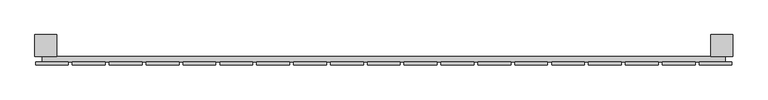
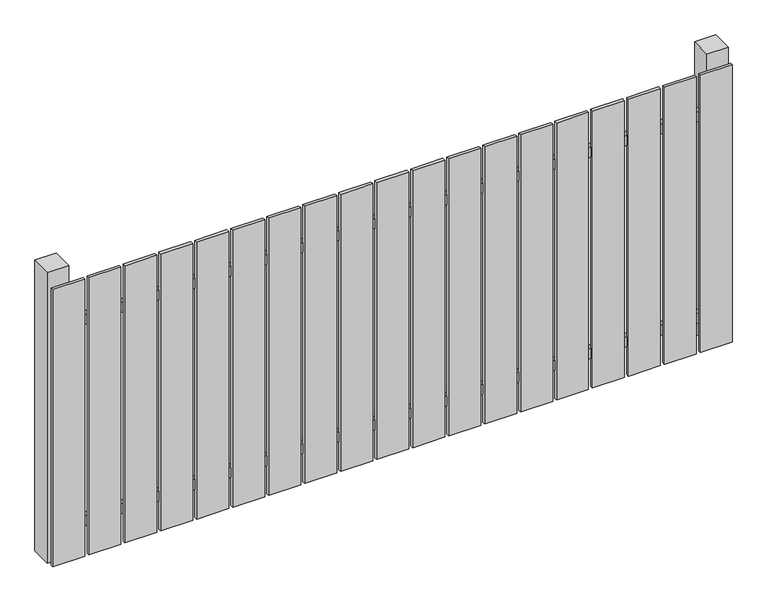
"""IFC4 building model written with IfcOpenShell, lengths in millimetres: railing geometry."""

from ifc_helpers import new_model, si_unit, frame, origin, origin_with_axes, place, context, project, spatial, polyline, outline, extrude, source, transform, mapped, element, save


def railing_23a34a51(model_context):
    return source(origin(), model_context, "Body", "SweptSolid", [
        extrude(outline(polyline([(6087.4299228, -106439.0267127), (6087.4299228, -106419.0267127), (8587.4299228, -106419.0267127), (8587.4299228, -106439.0267127), (6087.4299228, -106439.0267127)])), frame((0.0, 0.0, 110.0), z_axis=(0.0, 0.0, 1.0), x_axis=(1.0, 0.0, 0.0)), (0.0, 0.0, 1.0), 40.0),
        extrude(outline(polyline([(6087.4299228, -106439.0267127), (6087.4299228, -106419.0267127), (8587.4299228, -106419.0267127), (8587.4299228, -106439.0267127), (6087.4299228, -106439.0267127)])), frame((0.0, 0.0, 910.0), z_axis=(0.0, 0.0, 1.0), x_axis=(1.0, 0.0, 0.0)), (0.0, 0.0, 1.0), 40.0),
        extrude(outline(polyline([(8492.4299228, -106450.5267127), (8492.4299228, -106439.5267127), (8612.4299228, -106439.5267127), (8612.4299228, -106450.5267127), (8492.4299228, -106450.5267127)])), origin_with_axes(), (0.0, 0.0, 1.0), 1100.0),
        extrude(outline(polyline([(8357.4299228, -106450.5267127), (8357.4299228, -106439.5267127), (8477.4299228, -106439.5267127), (8477.4299228, -106450.5267127), (8357.4299228, -106450.5267127)])), origin_with_axes(), (0.0, 0.0, 1.0), 1100.0),
        extrude(outline(polyline([(8222.4299228, -106450.5267127), (8222.4299228, -106439.5267127), (8342.4299228, -106439.5267127), (8342.4299228, -106450.5267127), (8222.4299228, -106450.5267127)])), origin_with_axes(), (0.0, 0.0, 1.0), 1100.0),
        extrude(outline(polyline([(8087.4299228, -106450.5267127), (8087.4299228, -106439.5267127), (8207.4299228, -106439.5267127), (8207.4299228, -106450.5267127), (8087.4299228, -106450.5267127)])), origin_with_axes(), (0.0, 0.0, 1.0), 1100.0),
        extrude(outline(polyline([(7952.4299228, -106450.5267127), (7952.4299228, -106439.5267127), (8072.4299228, -106439.5267127), (8072.4299228, -106450.5267127), (7952.4299228, -106450.5267127)])), origin_with_axes(), (0.0, 0.0, 1.0), 1100.0),
        extrude(outline(polyline([(7817.4299228, -106450.5267127), (7817.4299228, -106439.5267127), (7937.4299228, -106439.5267127), (7937.4299228, -106450.5267127), (7817.4299228, -106450.5267127)])), origin_with_axes(), (0.0, 0.0, 1.0), 1100.0),
        extrude(outline(polyline([(7682.4299228, -106450.5267127), (7682.4299228, -106439.5267127), (7802.4299228, -106439.5267127), (7802.4299228, -106450.5267127), (7682.4299228, -106450.5267127)])), origin_with_axes(), (0.0, 0.0, 1.0), 1100.0),
        extrude(outline(polyline([(7547.4299228, -106450.5267127), (7547.4299228, -106439.5267127), (7667.4299228, -106439.5267127), (7667.4299228, -106450.5267127), (7547.4299228, -106450.5267127)])), origin_with_axes(), (0.0, 0.0, 1.0), 1100.0),
        extrude(outline(polyline([(7412.4299228, -106450.5267127), (7412.4299228, -106439.5267127), (7532.4299228, -106439.5267127), (7532.4299228, -106450.5267127), (7412.4299228, -106450.5267127)])), origin_with_axes(), (0.0, 0.0, 1.0), 1100.0),
        extrude(outline(polyline([(7277.4299228, -106450.5267127), (7277.4299228, -106439.5267127), (7397.4299228, -106439.5267127), (7397.4299228, -106450.5267127), (7277.4299228, -106450.5267127)])), origin_with_axes(), (0.0, 0.0, 1.0), 1100.0),
        extrude(outline(polyline([(7142.4299228, -106450.5267127), (7142.4299228, -106439.5267127), (7262.4299228, -106439.5267127), (7262.4299228, -106450.5267127), (7142.4299228, -106450.5267127)])), origin_with_axes(), (0.0, 0.0, 1.0), 1100.0),
        extrude(outline(polyline([(7007.4299228, -106450.5267127), (7007.4299228, -106439.5267127), (7127.4299228, -106439.5267127), (7127.4299228, -106450.5267127), (7007.4299228, -106450.5267127)])), origin_with_axes(), (0.0, 0.0, 1.0), 1100.0),
        extrude(outline(polyline([(6872.4299228, -106450.5267127), (6872.4299228, -106439.5267127), (6992.4299228, -106439.5267127), (6992.4299228, -106450.5267127), (6872.4299228, -106450.5267127)])), origin_with_axes(), (0.0, 0.0, 1.0), 1100.0),
        extrude(outline(polyline([(6737.4299228, -106450.5267127), (6737.4299228, -106439.5267127), (6857.4299228, -106439.5267127), (6857.4299228, -106450.5267127), (6737.4299228, -106450.5267127)])), origin_with_axes(), (0.0, 0.0, 1.0), 1100.0),
        extrude(outline(polyline([(6602.4299228, -106450.5267127), (6602.4299228, -106439.5267127), (6722.4299228, -106439.5267127), (6722.4299228, -106450.5267127), (6602.4299228, -106450.5267127)])), origin_with_axes(), (0.0, 0.0, 1.0), 1100.0),
        extrude(outline(polyline([(6467.4299228, -106450.5267127), (6467.4299228, -106439.5267127), (6587.4299228, -106439.5267127), (6587.4299228, -106450.5267127), (6467.4299228, -106450.5267127)])), origin_with_axes(), (0.0, 0.0, 1.0), 1100.0),
        extrude(outline(polyline([(6332.4299228, -106450.5267127), (6332.4299228, -106439.5267127), (6452.4299228, -106439.5267127), (6452.4299228, -106450.5267127), (6332.4299228, -106450.5267127)])), origin_with_axes(), (0.0, 0.0, 1.0), 1100.0),
        extrude(outline(polyline([(6197.4299228, -106450.5267127), (6197.4299228, -106439.5267127), (6317.4299228, -106439.5267127), (6317.4299228, -106450.5267127), (6197.4299228, -106450.5267127)])), origin_with_axes(), (0.0, 0.0, 1.0), 1100.0),
        extrude(outline(polyline([(6062.4299228, -106450.5267127), (6062.4299228, -106439.5267127), (6182.4299228, -106439.5267127), (6182.4299228, -106450.5267127), (6062.4299228, -106450.5267127)])), origin_with_axes(), (0.0, 0.0, 1.0), 1100.0),
        extrude(outline(polyline([(8534.9299228, -106339.0267127), (8614.9299228, -106339.0267127), (8614.9299228, -106419.0267127), (8534.9299228, -106419.0267127), (8534.9299228, -106339.0267127)])), frame((0.0, 0.0, -4.0), z_axis=(0.0, 0.0, 1.0), x_axis=(1.0, 0.0, 0.0)), (0.0, 0.0, 1.0), 1154.0),
        extrude(outline(polyline([(6059.9299228, -106339.0267127), (6139.9299228, -106339.0267127), (6139.9299228, -106419.0267127), (6059.9299228, -106419.0267127), (6059.9299228, -106339.0267127)])), frame((0.0, 0.0, -4.0), z_axis=(0.0, 0.0, 1.0), x_axis=(1.0, 0.0, 0.0)), (0.0, 0.0, 1.0), 1154.0),
    ])


if __name__ == "__main__":
    model = new_model("IFC4")
    model_context = context("Model", 3, world=origin())
    ifc_project = project(units=[si_unit("LENGTHUNIT", "METRE", prefix="MILLI")], contexts=[model_context])
    site = spatial("IfcSite", under=ifc_project)
    building = spatial("IfcBuilding", under=site)
    placement = place(None, origin())
    railing_shape = railing_23a34a51(model_context)
    element("IfcRailing", 1, at=placement, inside=building, context=model_context, shape_type="MappedRepresentation", body=[
        mapped(railing_shape, transform((0.0, 0.0, 0.0), x_axis=(1.0, 0.0, 0.0), y_axis=(0.0, 1.0, 0.0), z_axis=(0.0, 0.0, 1.0))),
    ])
    save(model, "model.ifc")
